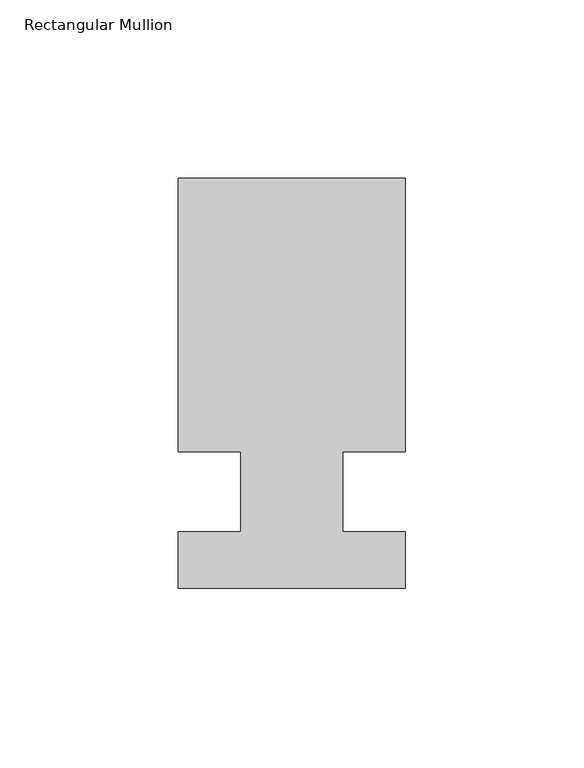
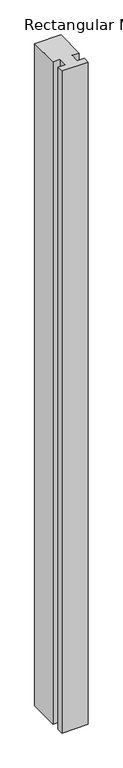
"""IFC4 building model written with IfcOpenShell, lengths in millimetres: member geometry, Rectangular Mullion."""

from ifc_helpers import new_model, si_unit, frame, origin, place, context, project, spatial, polyline, outline, extrude, source, transform, mapped, element, save


def rectangular_mullion_c67660dd(model_context):
    return source(origin(), model_context, "Body", "SweptSolid", [
        extrude(outline(polyline([(31.75, 114.5309812), (31.75, 38.0007812), (14.2875, 38.0007813), (14.2875, 15.5217812), (31.75, 15.5217812), (31.75, -0.3278188), (-31.75, -0.3278188), (-31.75, 15.5217812), (-14.2875, 15.5217812), (-14.2875, 38.0007812), (-31.75, 38.0007813), (-31.75, 114.5309812), (31.75, 114.5309812)])), frame((0.0, 0.0, -1696.9382812), z_axis=(0.0, 0.0, 1.0), x_axis=(1.0, 0.0, 0.0)), (0.0, 0.0, 1.0), 1696.9382813),
    ])


if __name__ == "__main__":
    model = new_model("IFC4")
    model_context = context("Model", 3, world=origin())
    ifc_project = project(units=[si_unit("LENGTHUNIT", "METRE", prefix="MILLI")], contexts=[model_context])
    site = spatial("IfcSite", under=ifc_project)
    building = spatial("IfcBuilding", under=site)
    placement = place(None, origin())
    rectangular_mullion_shape = rectangular_mullion_c67660dd(model_context)
    element("IfcMember", 1, ObjectType="Rectangular Mullion", at=placement, inside=building, context=model_context, shape_type="MappedRepresentation", body=[
        mapped(rectangular_mullion_shape, transform((0.0, 0.0, 0.0), x_axis=(1.0, 0.0, 0.0), y_axis=(0.0, 1.0, 0.0), z_axis=(0.0, 0.0, 1.0))),
    ])
    save(model, "model.ifc")
